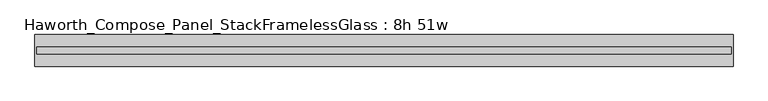
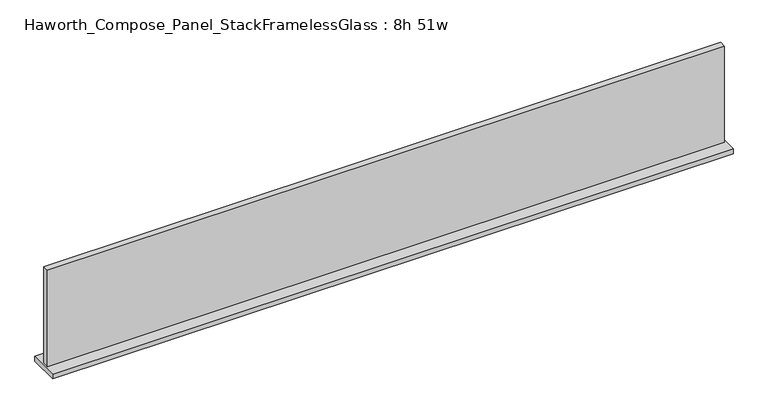
"""IFC4 building model written with IfcOpenShell, lengths in millimetres: furniture geometry, Haworth_Compose_Panel_StackFramelessGlass : 8h 51w."""

from ifc_helpers import new_model, si_unit, frame, origin, place, context, project, spatial, polyline, outline, extrude, source, transform, mapped, element, save


def haworth_compose_panel_stackframelessglass_8h_51w_e56d4f6a(model_context):
    return source(origin(), model_context, "Body", "SweptSolid", [
        extrude(outline(polyline([(646.9652902, -27.3093594), (-642.0847098, -27.3093594), (-642.0847098, -14.6093594), (646.9652902, -14.6093594), (646.9652902, -27.3093594)])), frame((0.0, 0.0, 1279.525), z_axis=(0.0, 0.0, 1.0), x_axis=(1.0, 0.0, 0.0)), (0.0, 0.0, 1.0), 193.675),
        extrude(outline(polyline([(-645.2597098, -50.3281094), (-645.2597098, 8.4093906), (650.1402902, 8.4093906), (650.1402902, -50.3281094), (-645.2597098, -50.3281094)])), frame((0.0, 0.0, 1270.0), z_axis=(0.0, 0.0, 1.0), x_axis=(1.0, 0.0, 0.0)), (0.0, 0.0, 1.0), 9.525),
    ])


if __name__ == "__main__":
    model = new_model("IFC4")
    model_context = context("Model", 3, world=origin())
    ifc_project = project(units=[si_unit("LENGTHUNIT", "METRE", prefix="MILLI")], contexts=[model_context])
    site = spatial("IfcSite", under=ifc_project)
    building = spatial("IfcBuilding", under=site)
    placement = place(None, origin())
    haworth_compose_panel_stackframelessglass_8h_51w_shape = haworth_compose_panel_stackframelessglass_8h_51w_e56d4f6a(model_context)
    element("IfcFurniture", 1, ObjectType="Haworth_Compose_Panel_StackFramelessGlass : 8h 51w", at=placement, inside=building, context=model_context, shape_type="MappedRepresentation", body=[
        mapped(haworth_compose_panel_stackframelessglass_8h_51w_shape, transform((0.0, 0.0, 0.0), x_axis=(1.0, 0.0, 0.0), y_axis=(0.0, 1.0, 0.0), z_axis=(0.0, 0.0, 1.0))),
    ])
    save(model, "model.ifc")
